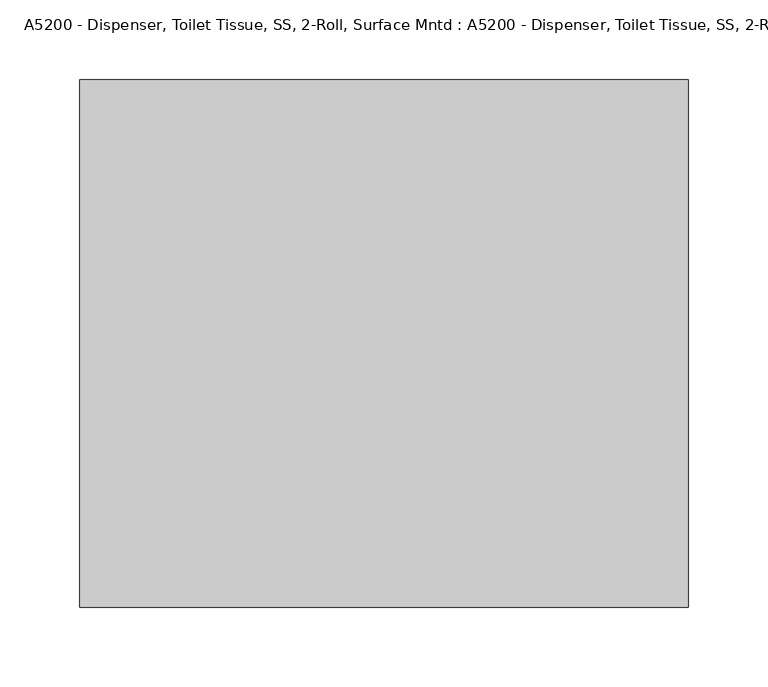
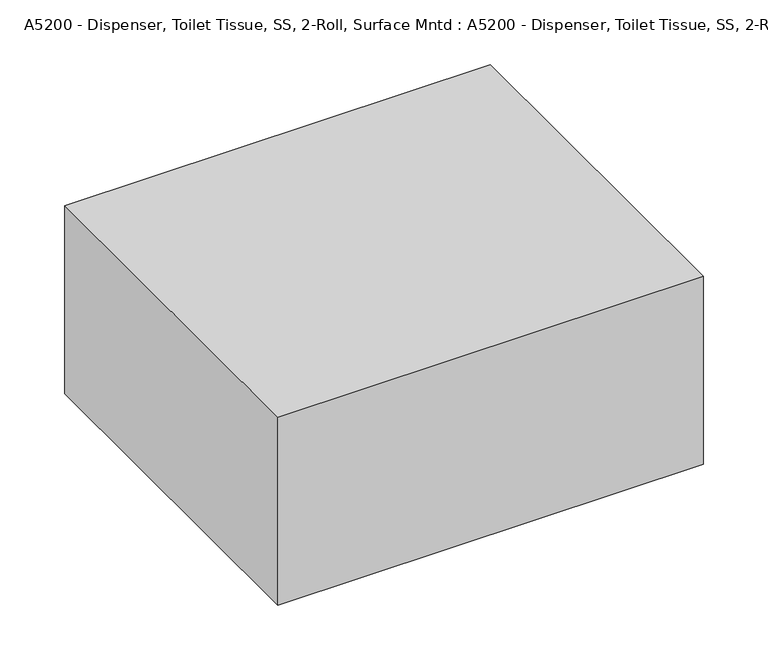
"""IFC4 building model written with IfcOpenShell, lengths in millimetres: proxy geometry, A5200 - Dispenser, Toilet Tissue, SS, 2-Roll, Surface Mntd : A5200 - Dispenser, Toilet Tissue, SS, 2-Roll, Surface Mntd."""

from ifc_helpers import new_model, si_unit, point, frame, frame_2d, origin, origin_with_axes, place, context, project, spatial, polyline, circle_curve, trimmed, segment, composite_curve, outline, extrude, source, transform, mapped, element, save


def a5200_dispenser_toilet_tissue_ss_2_roll_surface_mntd_a5200_7b25ff9d(model_context):
    return source(origin(), model_context, "Body", "SweptSolid", [
        extrude(outline(polyline([(190.5, 0.0), (-190.5, 0.0), (-190.5, 330.2), (190.5, 330.2), (190.5, 0.0)])), origin_with_axes(), (0.0, 0.0, 1.0), 177.8),
        extrude(outline(composite_curve([segment(trimmed(circle_curve(frame_2d((0.0, 13.382926)), 13.382926), [point((0.0, 26.765852))], [point((0.0, 0.0))], False, "CARTESIAN"), True, "CONTINUOUS"), segment(trimmed(circle_curve(frame_2d((0.0, 13.382926)), 13.382926), [point((0.0, 0.0))], [point((0.0, 26.765852))], False, "CARTESIAN"), True, "CONTINUOUS")], self_intersect=False)), frame((14.2875, 75.517074, 105.1171268), z_axis=(1.0, -1.020266240683039e-12, 0.0), x_axis=(0.0, 0.0, -1.0)), (0.0, 0.0, 1.0), 138.1125),
        extrude(outline(composite_curve([segment(trimmed(circle_curve(frame_2d((0.0, 1.8851296)), 1.8851296), [point((0.0, 3.7702592))], [point((0.0, 0.0))], False, "CARTESIAN"), True, "CONTINUOUS"), segment(trimmed(circle_curve(frame_2d((0.0, 1.8851296)), 1.8851296), [point((0.0, 0.0))], [point((0.0, 3.7702592))], False, "CARTESIAN"), True, "CONTINUOUS")], self_intersect=False)), frame((14.2875, 88.9, 107.0022564), z_axis=(1.0, -1.018725182543629e-12, 0.0), x_axis=(-1.018725182543629e-12, -1.0, 0.0)), (0.0, 0.0, 1.0), 138.1125),
        extrude(outline(composite_curve([segment(trimmed(circle_curve(frame_2d((0.0, 13.382926)), 13.382926), [point((0.0, 26.765852))], [point((0.0, 0.0))], False, "CARTESIAN"), True, "CONTINUOUS"), segment(trimmed(circle_curve(frame_2d((0.0, 13.382926)), 13.382926), [point((0.0, 0.0))], [point((0.0, 26.765852))], False, "CARTESIAN"), True, "CONTINUOUS")], self_intersect=False)), frame((-152.4, 75.517074, 105.1171268), z_axis=(1.0, -1.0170616637688368e-12, 0.0), x_axis=(0.0, 0.0, -1.0)), (0.0, 0.0, 1.0), 138.1125),
        extrude(outline(polyline([(0.0, 12.7), (0.0, 127.2036203), (165.1, 127.2036203), (165.1, 12.7), (0.0, 12.7)])), origin_with_axes(), (0.0, 0.0, 1.0), 3.175),
        extrude(outline(polyline([(-114.5036203, 0.0), (-114.5036203, 120.65), (-33.2613189, 120.65), (-12.7, 7.9375), (0.0, 7.9375), (0.0, 0.0), (-114.5036203, 0.0)])), frame((0.0, 127.2036203, 0.0), z_axis=(1.0, -1.020266240683039e-12, 0.0), x_axis=(1.020266240683039e-12, 1.0, 0.0)), (0.0, 0.0, 1.0), 14.2875),
        extrude(outline(polyline([(-114.5036203, 0.0), (-114.5036203, 120.65), (-33.2613189, 120.65), (-12.7, 7.9375), (0.0, 7.9375), (0.0, 0.0), (-114.5036203, 0.0)])), frame((152.4, 127.2036203, 0.0), z_axis=(1.0, -1.020266240683039e-12, 0.0), x_axis=(1.020266240683039e-12, 1.0, 0.0)), (0.0, 0.0, 1.0), 12.7),
        extrude(outline(composite_curve([segment(trimmed(circle_curve(frame_2d((0.0, 1.8851296)), 1.8851296), [point((0.0, 3.7702592))], [point((0.0, 0.0))], False, "CARTESIAN"), True, "CONTINUOUS"), segment(trimmed(circle_curve(frame_2d((0.0, 1.8851296)), 1.8851296), [point((0.0, 0.0))], [point((0.0, 3.7702592))], False, "CARTESIAN"), True, "CONTINUOUS")], self_intersect=False)), frame((-152.4, 88.9, 107.0022564), z_axis=(1.0, -1.0186027219082467e-12, 0.0), x_axis=(-1.0186027219082467e-12, -1.0, 0.0)), (0.0, 0.0, 1.0), 138.1125),
        extrude(outline(polyline([(0.0, 12.7), (-165.1, 12.7), (-165.1, 127.2036203), (0.0, 127.2036203), (0.0, 12.7)])), origin_with_axes(), (0.0, 0.0, 1.0), 3.175),
        extrude(outline(polyline([(0.0, 0.0), (-120.65, 0.0), (-120.65, 81.2423014), (-7.9375, 101.8036203), (-7.9375, 114.5036203), (0.0, 114.5036203), (0.0, 0.0)])), frame((-14.2875, 12.7, 0.0), z_axis=(1.0, -1.0170616637688368e-12, 0.0), x_axis=(0.0, 0.0, -1.0)), (0.0, 0.0, 1.0), 14.2875),
        extrude(outline(polyline([(0.0, 0.0), (-120.65, 0.0), (-120.65, 81.2423014), (-7.9375, 101.8036203), (-7.9375, 114.5036203), (0.0, 114.5036203), (0.0, 0.0)])), frame((-165.1, 12.7, 0.0), z_axis=(1.0, -1.0170616637688368e-12, 0.0), x_axis=(0.0, 0.0, -1.0)), (0.0, 0.0, 1.0), 12.7),
    ])


if __name__ == "__main__":
    model = new_model("IFC4")
    model_context = context("Model", 3, world=origin())
    ifc_project = project(units=[si_unit("LENGTHUNIT", "METRE", prefix="MILLI")], contexts=[model_context])
    site = spatial("IfcSite", under=ifc_project)
    building = spatial("IfcBuilding", under=site)
    placement = place(None, origin())
    a5200_dispenser_toilet_tissue_ss_2_roll_surface_mntd_a5200_shape = a5200_dispenser_toilet_tissue_ss_2_roll_surface_mntd_a5200_7b25ff9d(model_context)
    element("IfcBuildingElementProxy", 1, Name="A5200 - Dispenser, Toilet Tissue, SS, 2-Roll, Surface Mntd : A5200 - Dispenser, Toilet Tissue, SS, 2-Roll, Surface Mntd", ObjectType="A5200 - Dispenser, Toilet Tissue, SS, 2-Roll, Surface Mntd : A5200 - Dispenser, Toilet Tissue, SS, 2-Roll, Surface Mntd", at=placement, inside=building, context=model_context, shape_type="MappedRepresentation", body=[
        mapped(a5200_dispenser_toilet_tissue_ss_2_roll_surface_mntd_a5200_shape, transform((0.0, 0.0, 0.0), x_axis=(1.0, 0.0, 0.0), y_axis=(0.0, 1.0, 0.0), z_axis=(0.0, 0.0, 1.0))),
    ])
    save(model, "model.ifc")
